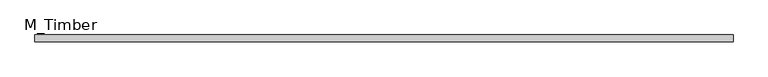
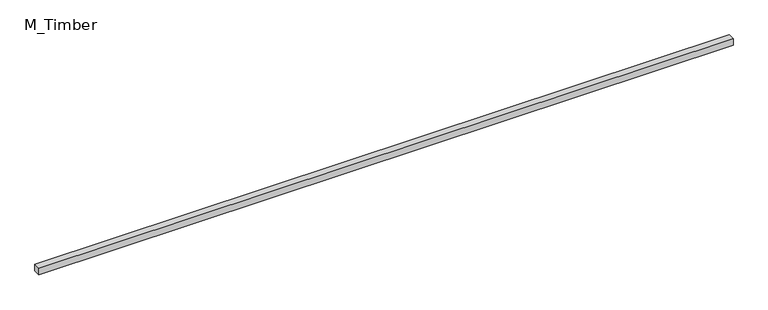
"""IFC4 building model written with IfcOpenShell, lengths in millimetres: beam geometry, M_Timber."""

from ifc_helpers import new_model, si_unit, frame, origin, place, context, project, spatial, polyline, outline, extrude, source, transform, mapped, element, save


def m_timber_80dc6953(model_context):
    return source(origin(), model_context, "Body", "SweptSolid", [
        extrude(outline(polyline([(1994.601787, 20.0), (1994.601787, -20.0), (-1994.601787, -20.0), (-1994.601787, 20.0), (1994.601787, 20.0)])), frame((0.0, 0.0, -20.0), z_axis=(0.0, 0.0, 1.0), x_axis=(1.0, 0.0, 0.0)), (0.0, 0.0, 1.0), 40.0),
    ])


if __name__ == "__main__":
    model = new_model("IFC4")
    model_context = context("Model", 3, world=origin())
    ifc_project = project(units=[si_unit("LENGTHUNIT", "METRE", prefix="MILLI")], contexts=[model_context])
    site = spatial("IfcSite", under=ifc_project)
    building = spatial("IfcBuilding", under=site)
    placement = place(None, origin())
    m_timber_shape = m_timber_80dc6953(model_context)
    element("IfcBeam", 1, ObjectType="M_Timber", at=placement, inside=building, context=model_context, shape_type="MappedRepresentation", body=[
        mapped(m_timber_shape, transform((0.0, 0.0, 0.0), x_axis=(1.0, 0.0, 0.0), y_axis=(0.0, 1.0, 0.0), z_axis=(0.0, 0.0, 1.0))),
    ])
    save(model, "model.ifc")
